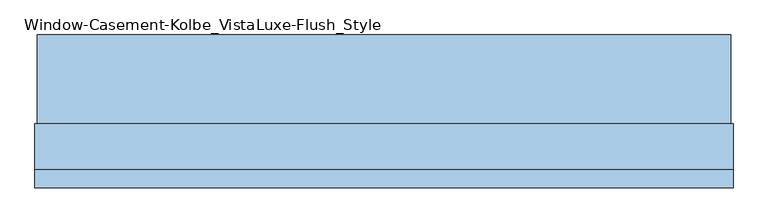
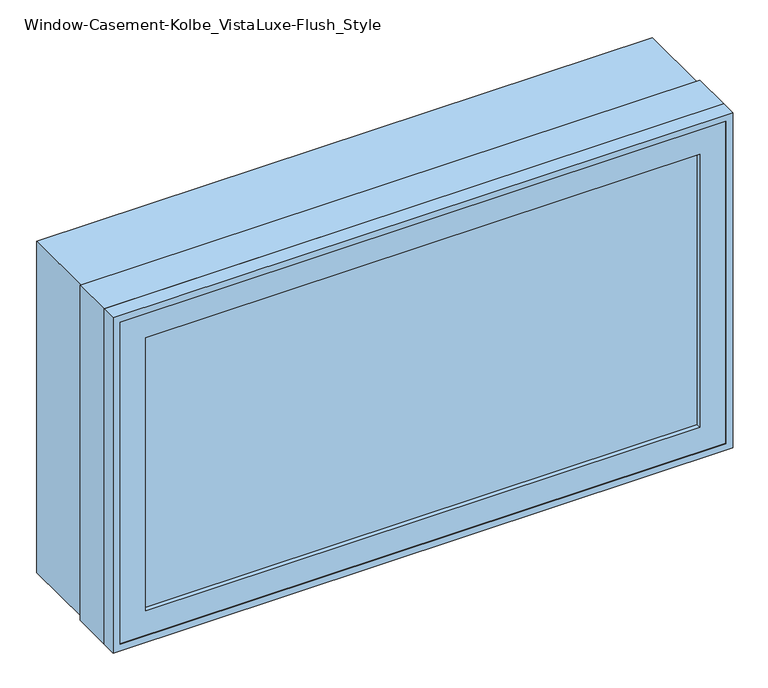
"""IFC4 building model written with IfcOpenShell, lengths in millimetres: window geometry, Window-Casement-Kolbe_VistaLuxe-Flush_Style."""

from ifc_helpers import new_model, si_unit, frame, origin, place, context, project, spatial, polyline, outline, extrude, faceted_brep, source, transform, mapped, element, save


def window_casement_kolbe_vistaluxe_flush_style_da93cd02(model_context):
    return source(origin(), model_context, "Body", "SolidModel", [
        faceted_brep([(-482.6696599, -121.37898, 970.676875), (-482.6696599, -129.31648, 970.676875), (471.5765901, -129.31648, 970.676875), (471.5765901, -121.37898, 970.676875), (-498.5446599, -99.12858, 954.801875), (-498.5446599, -121.37898, 954.801875), (487.4515901, -121.37898, 954.801875), (487.4515901, -99.12858, 954.801875), (-482.6696599, -80.10398, 970.676875), (-482.6696599, -99.12858, 970.676875), (471.5765901, -99.12858, 970.676875), (471.5765901, -80.10398, 970.676875), (-527.1196599, -129.31648, 926.226875), (-527.1196599, -80.10398, 926.226875), (516.0265901, -80.10398, 926.226875), (516.0265901, -129.31648, 926.226875), (471.5765901, -129.31648, 1467.723125), (471.5765901, -121.37898, 1467.723125), (487.4515901, -121.37898, 1483.598125), (487.4515901, -99.12858, 1483.598125), (471.5765901, -99.12858, 1467.723125), (471.5765901, -80.10398, 1467.723125), (516.0265901, -80.10398, 1512.173125), (516.0265901, -129.31648, 1512.173125), (-482.6696599, -129.31648, 1467.723125), (-482.6696599, -121.37898, 1467.723125), (-498.5446599, -121.37898, 1483.598125), (-498.5446599, -99.12858, 1483.598125), (-482.6696599, -99.12858, 1467.723125), (-482.6696599, -80.10398, 1467.723125), (-527.1196599, -80.10398, 1512.173125), (-527.1196599, -129.31648, 1512.173125)], [[[0, 1, 2, 3]], [[4, 5, 6, 7]], [[8, 9, 10, 11]], [[12, 13, 14, 15]], [[3, 2, 16, 17]], [[7, 6, 18, 19]], [[11, 10, 20, 21]], [[15, 14, 22, 23]], [[17, 16, 24, 25]], [[19, 18, 26, 27]], [[21, 20, 28, 29]], [[23, 22, 30, 31]], [[25, 24, 1, 0]], [[5, 26, 18, 6], [3, 17, 25, 0]], [[27, 26, 5, 4]], [[7, 19, 27, 4], [9, 28, 20, 10]], [[29, 28, 9, 8]], [[13, 30, 22, 14], [11, 21, 29, 8]], [[31, 30, 13, 12]], [[15, 23, 31, 12], [1, 24, 16, 2]]]),
        extrude(outline(polyline([(1520.4186, 524.2720651), (1520.4186, -535.3651349), (917.9814, -535.3651349), (917.9814, 524.2720651), (1520.4186, 524.2720651)]), holes=[polyline([(936.545625, 505.7078401), (936.545625, -516.8009099), (1501.854375, -516.8009099), (1501.854375, 505.7078401), (936.545625, 505.7078401)])]), frame((0.0, -32.5247, 0.0), z_axis=(0.0, 1.0, 0.0), x_axis=(0.0, 0.0, 1.0)), (0.0, 0.0, 1.0), 135.7122),
        extrude(outline(polyline([(1524.0, -538.9465349), (914.4, -538.9465349), (914.4, 527.8534651), (1524.0, 527.8534651), (1524.0, -538.9465349)]), holes=[polyline([(1512.173125, 516.0265901), (926.226875, 516.0265901), (926.226875, -527.1196599), (1512.173125, -527.1196599), (1512.173125, 516.0265901)])]), frame((0.0, -130.1115, 0.0), z_axis=(0.0, 1.0, 0.0), x_axis=(0.0, 0.0, 1.0)), (0.0, 0.0, 1.0), 26.924),
        faceted_brep([(527.8534651, -32.5247, 914.4), (527.8534651, -103.1875, 914.4), (-538.9465349, -103.1875, 914.4), (-538.9465349, -32.5247, 914.4), (505.7078401, -80.10525, 936.545625), (505.7078401, -32.5247, 936.545625), (-516.8009099, -32.5247, 936.545625), (-516.8009099, -80.10525, 936.545625), (516.0265901, -103.1875, 926.226875), (516.0265901, -80.10525, 926.226875), (-527.1196599, -80.10525, 926.226875), (-527.1196599, -103.1875, 926.226875), (-538.9465349, -103.1875, 1524.0), (-538.9465349, -32.5247, 1524.0), (-516.8009099, -32.5247, 1501.854375), (-516.8009099, -80.10525, 1501.854375), (-527.1196599, -80.10525, 1512.173125), (-527.1196599, -103.1875, 1512.173125), (527.8534651, -103.1875, 1524.0), (527.8534651, -32.5247, 1524.0), (505.7078401, -32.5247, 1501.854375), (505.7078401, -80.10525, 1501.854375), (516.0265901, -80.10525, 1512.173125), (516.0265901, -103.1875, 1512.173125)], [[[0, 1, 2, 3]], [[4, 5, 6, 7]], [[8, 9, 10, 11]], [[3, 2, 12, 13]], [[7, 6, 14, 15]], [[11, 10, 16, 17]], [[13, 12, 18, 19]], [[15, 14, 20, 21]], [[17, 16, 22, 23]], [[19, 18, 1, 0]], [[3, 13, 19, 0], [5, 20, 14, 6]], [[21, 20, 5, 4]], [[9, 22, 16, 10], [7, 15, 21, 4]], [[23, 22, 9, 8]], [[1, 18, 12, 2], [11, 17, 23, 8]]]),
        extrude(outline(polyline([(484.2765901, -102.30358), (-495.3696599, -102.30358), (-495.3696599, -99.12858), (484.2765901, -99.12858), (484.2765901, -102.30358)])), frame((0.0, 0.0, 957.976875), z_axis=(0.0, 0.0, 1.0), x_axis=(1.0, 0.0, 0.0)), (0.0, 0.0, 1.0), 522.44625),
        extrude(outline(polyline([(484.2765901, -118.20398), (484.2765901, -121.37898), (-495.3696599, -121.37898), (-495.3696599, -118.20398), (484.2765901, -118.20398)])), frame((0.0, 0.0, 957.976875), z_axis=(0.0, 0.0, 1.0), x_axis=(1.0, 0.0, 0.0)), (0.0, 0.0, 1.0), 522.44625),
        extrude(outline(polyline([(936.545625, 505.7078401), (1501.854375, 505.7078401), (1501.854375, -516.8009099), (936.545625, -516.8009099), (936.545625, 505.7078401)]), holes=[polyline([(954.801875, -498.5446599), (1483.598125, -498.5446599), (1483.598125, 487.4515901), (954.801875, 487.4515901), (954.801875, -498.5446599)])]), frame((0.0, -80.10525, 0.0), z_axis=(0.0, 1.0, 0.0), x_axis=(0.0, 0.0, 1.0)), (0.0, 0.0, 1.0), 50.8),
    ])


if __name__ == "__main__":
    model = new_model("IFC4")
    model_context = context("Model", 3, world=origin())
    ifc_project = project(units=[si_unit("LENGTHUNIT", "METRE", prefix="MILLI")], contexts=[model_context])
    site = spatial("IfcSite", under=ifc_project)
    building = spatial("IfcBuilding", under=site)
    placement = place(None, origin())
    window_casement_kolbe_vistaluxe_flush_style_shape = window_casement_kolbe_vistaluxe_flush_style_da93cd02(model_context)
    element("IfcWindow", 1, ObjectType="Window-Casement-Kolbe_VistaLuxe-Flush_Style", at=placement, inside=building, context=model_context, shape_type="MappedRepresentation", body=[
        mapped(window_casement_kolbe_vistaluxe_flush_style_shape, transform((0.0, 0.0, 0.0), x_axis=(1.0, 0.0, 0.0), y_axis=(0.0, 1.0, 0.0), z_axis=(0.0, 0.0, 1.0))),
    ])
    save(model, "model.ifc")
